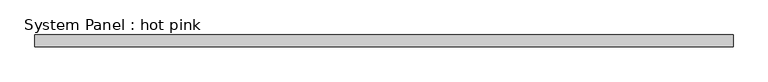
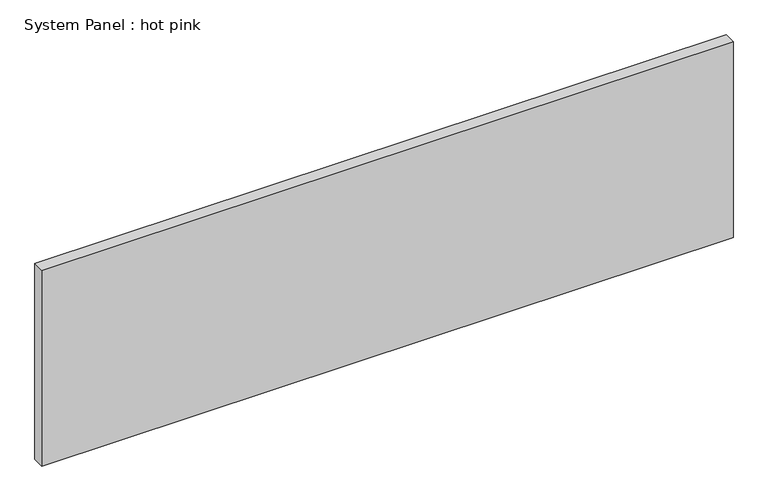
"""IFC4 building model written with IfcOpenShell, lengths in millimetres: plate geometry, System Panel : hot pink."""

from ifc_helpers import new_model, si_unit, origin, origin_with_axes, place, context, project, spatial, polyline, outline, extrude, source, transform, mapped, element, save


def system_panel_hot_pink_62faa478(model_context):
    return source(origin(), model_context, "Body", "SweptSolid", [
        extrude(outline(polyline([(1876.0262313, -19.05), (-1876.0262313, -19.05), (-1876.0262313, 44.45), (1876.0262313, 44.45), (1876.0262313, -19.05)])), origin_with_axes(), (0.0, 0.0, 1.0), 1123.95),
    ])


if __name__ == "__main__":
    model = new_model("IFC4")
    model_context = context("Model", 3, world=origin())
    ifc_project = project(units=[si_unit("LENGTHUNIT", "METRE", prefix="MILLI")], contexts=[model_context])
    site = spatial("IfcSite", under=ifc_project)
    building = spatial("IfcBuilding", under=site)
    placement = place(None, origin())
    system_panel_hot_pink_shape = system_panel_hot_pink_62faa478(model_context)
    element("IfcPlate", 1, ObjectType="System Panel : hot pink", at=placement, inside=building, context=model_context, shape_type="MappedRepresentation", body=[
        mapped(system_panel_hot_pink_shape, transform((0.0, 0.0, 0.0), x_axis=(1.0, 0.0, 0.0), y_axis=(0.0, 1.0, 0.0), z_axis=(0.0, 0.0, 1.0))),
    ])
    save(model, "model.ifc")
